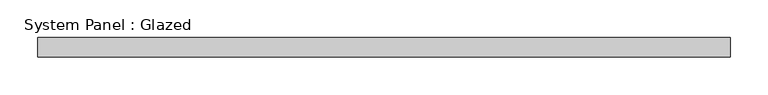
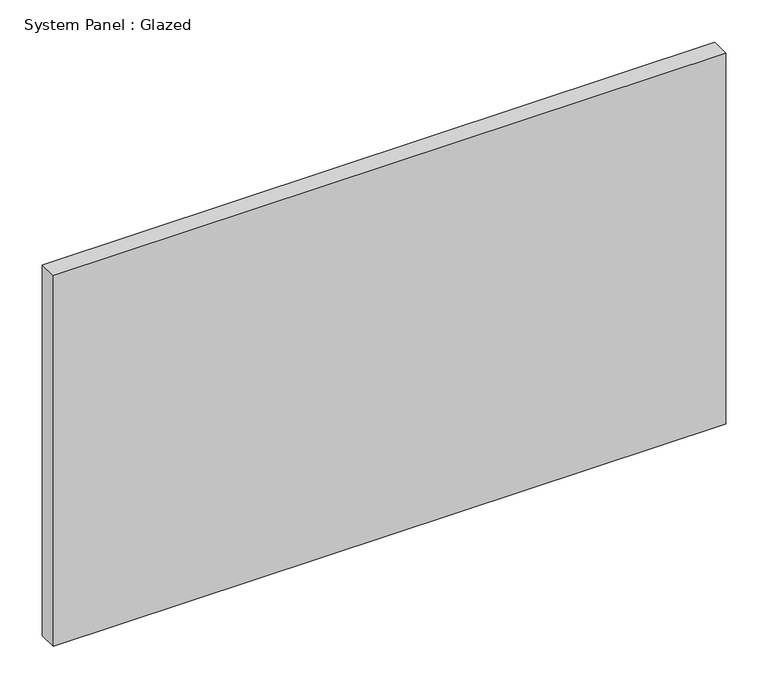
"""IFC4 building model written with IfcOpenShell, lengths in millimetres: plate geometry, System Panel : Glazed."""

import ifcopenshell
import ifcopenshell.guid

model = None  # the IFC model being written
_history = None  # IfcOwnerHistory: only IFC2X3 demands one
_inside = {}  # id of a spatial element -> (the spatial element, [elements in it])
_under = {}  # id of a project, library or spatial element -> (it, [spatial elements below it])
_declared = {}  # id of a project -> (the project, [libraries it declares])
_typed = {}  # id of a type object -> (the type object, [elements of that type])
_made_of = {}  # id of a material, layer set ... -> (it, [elements and type objects made of it])


def new_model(schema):
    """Start an empty IFC model of exactly this schema.

    Asked for "IFC4X3", IfcOpenShell would pick the latest addendum, in which some entities
    have other attributes; the version numbers below select the first issue.
    IFC2X3 requires an IfcOwnerHistory on every rooted entity: one is made here for all.
    """
    global model, _history
    if schema == "IFC4X3":
        model = ifcopenshell.file(schema_version=(4, 3, 0, 0))
    else:
        model = ifcopenshell.file(schema=schema)
    _inside.clear()
    _under.clear()
    _declared.clear()
    _typed.clear()
    _made_of.clear()
    _history = None
    if model.schema == "IFC2X3":
        org = make("IfcOrganization", Name="unknown")
        user = make(
            "IfcPersonAndOrganization",
            ThePerson=make("IfcPerson", FamilyName="unknown"),
            TheOrganization=org,
        )
        app = make(
            "IfcApplication",
            ApplicationDeveloper=org,
            Version="unknown",
            ApplicationFullName="unknown",
            ApplicationIdentifier="unknown",
        )
        _history = make(
            "IfcOwnerHistory",
            OwningUser=user,
            OwningApplication=app,
            ChangeAction="ADDED",
            CreationDate=0,
        )
    return model


def make(cls, **values):
    """One entity of the class cls with the attributes given. An attribute that is None is left unset."""
    return model.create_entity(
        cls, **{name: value for name, value in values.items() if value is not None}
    )


def rooted(cls, **values):
    """An entity with a GlobalId (a new one), such as an element, a storey or a relation."""
    return make(cls, GlobalId=ifcopenshell.guid.new(), OwnerHistory=_history, **values)


def si_unit(unit_type, name, prefix=None):
    """IfcSIUnit, for example si_unit("LENGTHUNIT", "METRE", prefix="MILLI")."""
    return make("IfcSIUnit", UnitType=unit_type, Prefix=prefix, Name=name)


def assignment(units):
    """IfcUnitAssignment: the units of a project."""
    return None if units is None else make("IfcUnitAssignment", Units=units)


def point(xyz):
    """IfcCartesianPoint."""
    return None if xyz is None else make("IfcCartesianPoint", Coordinates=xyz)


def direction(xyz):
    """IfcDirection."""
    return None if xyz is None else make("IfcDirection", DirectionRatios=xyz)


def frame(location, z_axis=None, x_axis=None):
    """IfcAxis2Placement3D, a coordinate frame: its origin and axes. An axis left out is left unset."""
    return make(
        "IfcAxis2Placement3D",
        Location=point(location),
        Axis=direction(z_axis),
        RefDirection=direction(x_axis),
    )


def origin():
    """The frame at (0, 0, 0) with its axes left unset."""
    return frame((0.0, 0.0, 0.0))


def origin_with_axes():
    """The frame at (0, 0, 0) with the z axis (0, 0, 1) and the x axis (1, 0, 0) written out."""
    return frame((0.0, 0.0, 0.0), z_axis=(0.0, 0.0, 1.0), x_axis=(1.0, 0.0, 0.0))


def place(relative_to, where):
    """IfcLocalPlacement: puts the frame where relative to a parent placement (None: the world)."""
    return make(
        "IfcLocalPlacement", PlacementRelTo=relative_to, RelativePlacement=where
    )


def context(
    kind, dimensions, precision=None, world=None, true_north=None, identifier=None
):
    """IfcGeometricRepresentationContext, for example the 3D "Model" context."""
    return make(
        "IfcGeometricRepresentationContext",
        ContextIdentifier=identifier,
        ContextType=kind,
        CoordinateSpaceDimension=dimensions,
        Precision=precision,
        WorldCoordinateSystem=world,
        TrueNorth=true_north,
    )


def project(units=None, contexts=None):
    """IfcProject with its units and contexts."""
    return rooted(
        "IfcProject",
        Name="project",
        RepresentationContexts=contexts,
        UnitsInContext=assignment(units),
    )


def spatial(cls, under=None, at=None, **own):
    """A site, building, storey or space (cls), placed at a placement, below another one or the project."""
    s = rooted(cls, ObjectPlacement=at, **own)
    if under is not None:
        _under.setdefault(under.id(), (under, []))[1].append(s)
    return s


def polyline(points):
    """IfcPolyline through the points."""
    return make("IfcPolyline", Points=[point(p) for p in points])


def outline(outer, holes=None, kind="AREA"):
    """IfcArbitraryClosedProfileDef: a profile drawn as a closed curve; with holes, ...WithVoids."""
    if holes is None:
        return make("IfcArbitraryClosedProfileDef", ProfileType=kind, OuterCurve=outer)
    return make(
        "IfcArbitraryProfileDefWithVoids",
        ProfileType=kind,
        OuterCurve=outer,
        InnerCurves=holes,
    )


def extrude(swept, where, along, depth):
    """IfcExtrudedAreaSolid: the profile swept, set in the frame where, extruded along a direction by depth."""
    return make(
        "IfcExtrudedAreaSolid",
        SweptArea=swept,
        Position=where,
        ExtrudedDirection=direction(along),
        Depth=depth,
    )


def shape(context_of_items, identifier, shape_type, items):
    """IfcShapeRepresentation: the items that make up one representation, for example the "Body"."""
    return make(
        "IfcShapeRepresentation",
        ContextOfItems=context_of_items,
        RepresentationIdentifier=identifier,
        RepresentationType=shape_type,
        Items=items,
    )


def source(mapping_origin, context_of_items, identifier, shape_type, items):
    """IfcRepresentationMap: a shape defined once, which mapped items show again and again."""
    return make(
        "IfcRepresentationMap",
        MappingOrigin=mapping_origin,
        MappedRepresentation=shape(context_of_items, identifier, shape_type, items),
    )


def transform(
    local_origin,
    x_axis=None,
    y_axis=None,
    z_axis=None,
    scale=None,
    scale2=None,
    scale3=None,
    uniform=True,
):
    """IfcCartesianTransformationOperator3D, or its non-uniform kind. x_axis, y_axis, z_axis: its Axis1, 2, 3."""
    if uniform:
        return make(
            "IfcCartesianTransformationOperator3D",
            Axis1=direction(x_axis),
            Axis2=direction(y_axis),
            LocalOrigin=point(local_origin),
            Scale=scale,
            Axis3=direction(z_axis),
        )
    return make(
        "IfcCartesianTransformationOperator3DnonUniform",
        Axis1=direction(x_axis),
        Axis2=direction(y_axis),
        LocalOrigin=point(local_origin),
        Scale=scale,
        Axis3=direction(z_axis),
        Scale2=scale2,
        Scale3=scale3,
    )


def mapped(mapping_source, mapping_target):
    """IfcMappedItem: shows the shape of a source again, moved by a transform."""
    return make(
        "IfcMappedItem", MappingSource=mapping_source, MappingTarget=mapping_target
    )


def made_of(thing, what):
    """Note that an element or type object is made of a material, layer set ...; save() writes the relation."""
    if what is not None:
        _made_of.setdefault(what.id(), (what, []))[1].append(thing)
    return thing


def element(
    cls,
    number,
    at=None,
    inside=None,
    cuts=None,
    type_object=None,
    material=None,
    context=None,
    identifier="Body",
    shape_type=None,
    held_by="IfcProductDefinitionShape",
    body=None,
    shapes=None,
    **own,
):
    """One element of the class cls, such as IfcWall. Its Tag is "e" and its number.

    at: its placement. inside: the storey or other place that contains it. cuts: it is an
    opening in that element (IfcRelVoidsElement). A single representation is given by context,
    identifier, shape_type and body (its items); several are given by shapes. held_by: the class
    of the entity that holds the representations. save() writes the other relations.
    """
    e = rooted(cls, Tag="e%d" % number, ObjectPlacement=at, **own)
    if body is not None:
        shapes = [shape(context, identifier, shape_type, body)]
    if shapes is not None:
        e.Representation = make(held_by, Representations=shapes)
    if inside is not None:
        _inside.setdefault(inside.id(), (inside, []))[1].append(e)
    if cuts is not None:
        rooted(
            "IfcRelVoidsElement", RelatingBuildingElement=cuts, RelatedOpeningElement=e
        )
    if type_object is not None:
        _typed.setdefault(type_object.id(), (type_object, []))[1].append(e)
    return made_of(e, material)


def aggregate(whole, parts):
    """IfcRelAggregates: a whole, such as a stair, and the parts it consists of."""
    return rooted("IfcRelAggregates", RelatingObject=whole, RelatedObjects=parts)


def save(model, path):
    """Write the relations noted so far, then the file.

    IfcRelAggregates (storeys below a building ...), IfcRelContainedInSpatialStructure (elements
    in a storey), IfcRelDefinesByType, IfcRelAssociatesMaterial and IfcRelDeclares: one each for
    every whole, place, type object, material and project.
    """
    for whole, parts in _under.values():
        aggregate(whole, parts)
    for where, things in _inside.values():
        rooted(
            "IfcRelContainedInSpatialStructure",
            RelatedElements=things,
            RelatingStructure=where,
        )
    for kind, things in _typed.values():
        rooted("IfcRelDefinesByType", RelatedObjects=things, RelatingType=kind)
    for what, things in _made_of.values():
        rooted("IfcRelAssociatesMaterial", RelatedObjects=things, RelatingMaterial=what)
    for by, libraries in _declared.values():
        rooted("IfcRelDeclares", RelatingContext=by, RelatedDefinitions=libraries)
    model.write(path)


def system_panel_glazed_1e796e98(model_context):
    return source(origin(), model_context, "Body", "SweptSolid", [
        extrude(outline(polyline([(457.2, -12.7), (-457.2, -12.7), (-457.2, 12.7), (457.2, 12.7), (457.2, -12.7)])), origin_with_axes(), (0.0, 0.0, 1.0), 533.4),
    ])


if __name__ == "__main__":
    model = new_model("IFC4")
    model_context = context("Model", 3, world=origin())
    ifc_project = project(units=[si_unit("LENGTHUNIT", "METRE", prefix="MILLI")], contexts=[model_context])
    site = spatial("IfcSite", under=ifc_project)
    building = spatial("IfcBuilding", under=site)
    placement = place(None, origin())
    system_panel_glazed_shape = system_panel_glazed_1e796e98(model_context)
    element("IfcPlate", 1, ObjectType="System Panel : Glazed", at=placement, inside=building, context=model_context, shape_type="MappedRepresentation", body=[
        mapped(system_panel_glazed_shape, transform((0.0, 0.0, 0.0), x_axis=(1.0, 0.0, 0.0), y_axis=(0.0, 1.0, 0.0), z_axis=(0.0, 0.0, 1.0))),
    ])
    save(model, "model.ifc")
